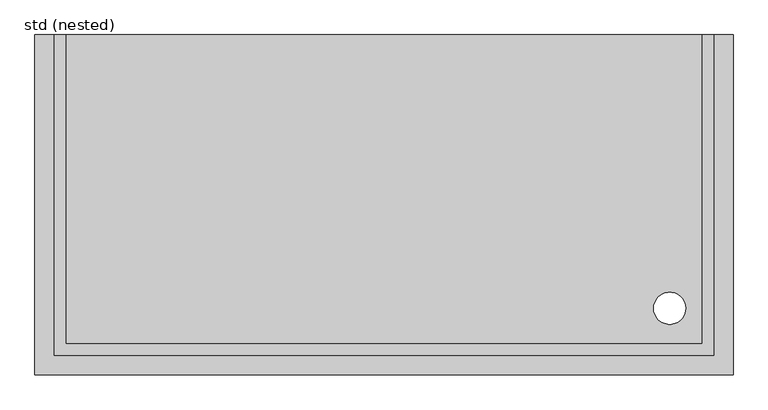
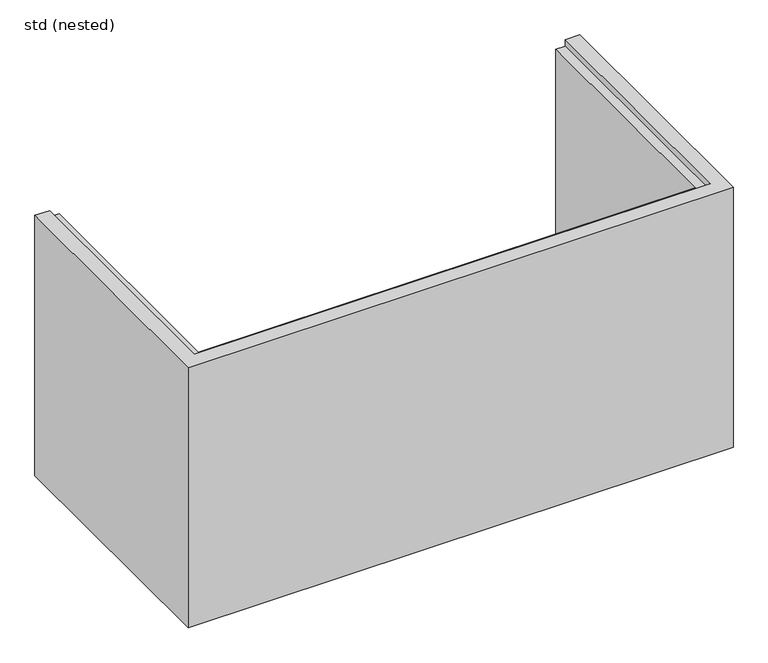
"""IFC4 building model written with IfcOpenShell, lengths in millimetres: proxy geometry, std (nested)."""

import ifcopenshell
import ifcopenshell.guid

model = None  # the IFC model being written
_history = None  # IfcOwnerHistory: only IFC2X3 demands one
_inside = {}  # id of a spatial element -> (the spatial element, [elements in it])
_under = {}  # id of a project, library or spatial element -> (it, [spatial elements below it])
_declared = {}  # id of a project -> (the project, [libraries it declares])
_typed = {}  # id of a type object -> (the type object, [elements of that type])
_made_of = {}  # id of a material, layer set ... -> (it, [elements and type objects made of it])


def new_model(schema):
    """Start an empty IFC model of exactly this schema.

    Asked for "IFC4X3", IfcOpenShell would pick the latest addendum, in which some entities
    have other attributes; the version numbers below select the first issue.
    IFC2X3 requires an IfcOwnerHistory on every rooted entity: one is made here for all.
    """
    global model, _history
    if schema == "IFC4X3":
        model = ifcopenshell.file(schema_version=(4, 3, 0, 0))
    else:
        model = ifcopenshell.file(schema=schema)
    _inside.clear()
    _under.clear()
    _declared.clear()
    _typed.clear()
    _made_of.clear()
    _history = None
    if model.schema == "IFC2X3":
        org = make("IfcOrganization", Name="unknown")
        user = make(
            "IfcPersonAndOrganization",
            ThePerson=make("IfcPerson", FamilyName="unknown"),
            TheOrganization=org,
        )
        app = make(
            "IfcApplication",
            ApplicationDeveloper=org,
            Version="unknown",
            ApplicationFullName="unknown",
            ApplicationIdentifier="unknown",
        )
        _history = make(
            "IfcOwnerHistory",
            OwningUser=user,
            OwningApplication=app,
            ChangeAction="ADDED",
            CreationDate=0,
        )
    return model


def make(cls, **values):
    """One entity of the class cls with the attributes given. An attribute that is None is left unset."""
    return model.create_entity(
        cls, **{name: value for name, value in values.items() if value is not None}
    )


def rooted(cls, **values):
    """An entity with a GlobalId (a new one), such as an element, a storey or a relation."""
    return make(cls, GlobalId=ifcopenshell.guid.new(), OwnerHistory=_history, **values)


def si_unit(unit_type, name, prefix=None):
    """IfcSIUnit, for example si_unit("LENGTHUNIT", "METRE", prefix="MILLI")."""
    return make("IfcSIUnit", UnitType=unit_type, Prefix=prefix, Name=name)


def assignment(units):
    """IfcUnitAssignment: the units of a project."""
    return None if units is None else make("IfcUnitAssignment", Units=units)


def point(xyz):
    """IfcCartesianPoint."""
    return None if xyz is None else make("IfcCartesianPoint", Coordinates=xyz)


def direction(xyz):
    """IfcDirection."""
    return None if xyz is None else make("IfcDirection", DirectionRatios=xyz)


def frame(location, z_axis=None, x_axis=None):
    """IfcAxis2Placement3D, a coordinate frame: its origin and axes. An axis left out is left unset."""
    return make(
        "IfcAxis2Placement3D",
        Location=point(location),
        Axis=direction(z_axis),
        RefDirection=direction(x_axis),
    )


def origin():
    """The frame at (0, 0, 0) with its axes left unset."""
    return frame((0.0, 0.0, 0.0))


def place(relative_to, where):
    """IfcLocalPlacement: puts the frame where relative to a parent placement (None: the world)."""
    return make(
        "IfcLocalPlacement", PlacementRelTo=relative_to, RelativePlacement=where
    )


def context(
    kind, dimensions, precision=None, world=None, true_north=None, identifier=None
):
    """IfcGeometricRepresentationContext, for example the 3D "Model" context."""
    return make(
        "IfcGeometricRepresentationContext",
        ContextIdentifier=identifier,
        ContextType=kind,
        CoordinateSpaceDimension=dimensions,
        Precision=precision,
        WorldCoordinateSystem=world,
        TrueNorth=true_north,
    )


def project(units=None, contexts=None):
    """IfcProject with its units and contexts."""
    return rooted(
        "IfcProject",
        Name="project",
        RepresentationContexts=contexts,
        UnitsInContext=assignment(units),
    )


def spatial(cls, under=None, at=None, **own):
    """A site, building, storey or space (cls), placed at a placement, below another one or the project."""
    s = rooted(cls, ObjectPlacement=at, **own)
    if under is not None:
        _under.setdefault(under.id(), (under, []))[1].append(s)
    return s


def polyline(points):
    """IfcPolyline through the points."""
    return make("IfcPolyline", Points=[point(p) for p in points])


def circle_curve(where, radius):
    """IfcCircle in the frame where."""
    return make("IfcCircle", Position=where, Radius=radius)


def shape(context_of_items, identifier, shape_type, items):
    """IfcShapeRepresentation: the items that make up one representation, for example the "Body"."""
    return make(
        "IfcShapeRepresentation",
        ContextOfItems=context_of_items,
        RepresentationIdentifier=identifier,
        RepresentationType=shape_type,
        Items=items,
    )


def source(mapping_origin, context_of_items, identifier, shape_type, items):
    """IfcRepresentationMap: a shape defined once, which mapped items show again and again."""
    return make(
        "IfcRepresentationMap",
        MappingOrigin=mapping_origin,
        MappedRepresentation=shape(context_of_items, identifier, shape_type, items),
    )


def transform(
    local_origin,
    x_axis=None,
    y_axis=None,
    z_axis=None,
    scale=None,
    scale2=None,
    scale3=None,
    uniform=True,
):
    """IfcCartesianTransformationOperator3D, or its non-uniform kind. x_axis, y_axis, z_axis: its Axis1, 2, 3."""
    if uniform:
        return make(
            "IfcCartesianTransformationOperator3D",
            Axis1=direction(x_axis),
            Axis2=direction(y_axis),
            LocalOrigin=point(local_origin),
            Scale=scale,
            Axis3=direction(z_axis),
        )
    return make(
        "IfcCartesianTransformationOperator3DnonUniform",
        Axis1=direction(x_axis),
        Axis2=direction(y_axis),
        LocalOrigin=point(local_origin),
        Scale=scale,
        Axis3=direction(z_axis),
        Scale2=scale2,
        Scale3=scale3,
    )


def mapped(mapping_source, mapping_target):
    """IfcMappedItem: shows the shape of a source again, moved by a transform."""
    return make(
        "IfcMappedItem", MappingSource=mapping_source, MappingTarget=mapping_target
    )


def made_of(thing, what):
    """Note that an element or type object is made of a material, layer set ...; save() writes the relation."""
    if what is not None:
        _made_of.setdefault(what.id(), (what, []))[1].append(thing)
    return thing


def element(
    cls,
    number,
    at=None,
    inside=None,
    cuts=None,
    type_object=None,
    material=None,
    context=None,
    identifier="Body",
    shape_type=None,
    held_by="IfcProductDefinitionShape",
    body=None,
    shapes=None,
    **own,
):
    """One element of the class cls, such as IfcWall. Its Tag is "e" and its number.

    at: its placement. inside: the storey or other place that contains it. cuts: it is an
    opening in that element (IfcRelVoidsElement). A single representation is given by context,
    identifier, shape_type and body (its items); several are given by shapes. held_by: the class
    of the entity that holds the representations. save() writes the other relations.
    """
    e = rooted(cls, Tag="e%d" % number, ObjectPlacement=at, **own)
    if body is not None:
        shapes = [shape(context, identifier, shape_type, body)]
    if shapes is not None:
        e.Representation = make(held_by, Representations=shapes)
    if inside is not None:
        _inside.setdefault(inside.id(), (inside, []))[1].append(e)
    if cuts is not None:
        rooted(
            "IfcRelVoidsElement", RelatingBuildingElement=cuts, RelatedOpeningElement=e
        )
    if type_object is not None:
        _typed.setdefault(type_object.id(), (type_object, []))[1].append(e)
    return made_of(e, material)


def aggregate(whole, parts):
    """IfcRelAggregates: a whole, such as a stair, and the parts it consists of."""
    return rooted("IfcRelAggregates", RelatingObject=whole, RelatedObjects=parts)


def save(model, path):
    """Write the relations noted so far, then the file.

    IfcRelAggregates (storeys below a building ...), IfcRelContainedInSpatialStructure (elements
    in a storey), IfcRelDefinesByType, IfcRelAssociatesMaterial and IfcRelDeclares: one each for
    every whole, place, type object, material and project.
    """
    for whole, parts in _under.values():
        aggregate(whole, parts)
    for where, things in _inside.values():
        rooted(
            "IfcRelContainedInSpatialStructure",
            RelatedElements=things,
            RelatingStructure=where,
        )
    for kind, things in _typed.values():
        rooted("IfcRelDefinesByType", RelatedObjects=things, RelatingType=kind)
    for what, things in _made_of.values():
        rooted("IfcRelAssociatesMaterial", RelatedObjects=things, RelatingMaterial=what)
    for by, libraries in _declared.values():
        rooted("IfcRelDeclares", RelatingContext=by, RelatedDefinitions=libraries)
    model.write(path)


def plane_surface(at):
    """IfcPlane: the flat surface through the origin of the frame at, square to its z axis."""
    return make("IfcPlane", Position=at)


def revolved_surface(curve, axis_point, axis_direction):
    """IfcSurfaceOfRevolution: the curve turned about the line through axis_point along axis_direction."""
    return make(
        "IfcSurfaceOfRevolution",
        SweptCurve=make("IfcArbitraryOpenProfileDef", ProfileType="CURVE", Curve=curve),
        AxisPosition=make("IfcAxis1Placement", Location=point(axis_point), Axis=direction(axis_direction)),
    )


def advanced_brep(points, edges, surfaces, faces):
    """IfcAdvancedBrep: a solid bounded by faces that lie on surfaces and meet in shared edges.

    An edge is (start, end): straight between two places in points (the first is 0);
    or (start, end, curve); or (start, end, curve, False) where it runs against its curve.
    A face is (place in surfaces, loops), or (place, loops, False) where it looks against
    its surface's normal. A loop lists edges by number (the first is 1), with a minus sign
    where the edge is run from its end to its start. The first loop is the outer one.
    """
    corners = [point(p) for p in points]
    vertices = [make("IfcVertexPoint", VertexGeometry=c) for c in corners]
    made = []
    for start, end, *more in edges:
        made.append(
            make(
                "IfcEdgeCurve",
                EdgeStart=vertices[start],
                EdgeEnd=vertices[end],
                EdgeGeometry=more[0] if more else make("IfcPolyline", Points=[corners[start], corners[end]]),
                SameSense=more[1] if len(more) > 1 else True,
            )
        )
    hull = []
    for where, loops, *sense in faces:
        bounds = []
        for j, loop in enumerate(loops):
            ring = [make("IfcOrientedEdge", EdgeElement=made[abs(k) - 1], Orientation=k > 0) for k in loop]
            bounds.append(
                make(
                    "IfcFaceOuterBound" if j == 0 else "IfcFaceBound",
                    Bound=make("IfcEdgeLoop", EdgeList=ring),
                    Orientation=True,
                )
            )
        hull.append(make("IfcAdvancedFace", Bounds=bounds, FaceSurface=surfaces[where], SameSense=sense[0] if sense else True))
    return make("IfcAdvancedBrep", Outer=make("IfcClosedShell", CfsFaces=hull))


def std_nested_0f180ebd(model_context):
    return source(origin(), model_context, "Body", "AdvancedBrep", [
        advanced_brep(
        [(-1129.0, 0.0, 1140.0), (-1068.5, 0.0, 1140.0), (-1068.5, 0.0, 1112.0), (-1029.0, 0.0, 1112.0), (-1029.0, 0.0, 140.0), (1029.0, 0.0, 140.0), (1029.0, 0.0, 1112.0), (1068.5, 0.0, 1112.0), (1068.5, 0.0, 1140.0), (1129.0, 0.0, 1140.0), (1129.0, 0.0, 0.0), (-1129.0, 0.0, 0.0), (-1129.0, -1100.0, 0.0), (-1129.0, -1100.0, 1140.0), (1129.0, -1100.0, 1140.0), (1068.5, -1039.5, 1140.0), (-1068.5, -1039.5, 1140.0), (-1068.5, -1039.5, 1112.0), (1068.5, -1039.5, 1112.0), (1029.0, -1000.0, 1112.0), (-1029.0, -1000.0, 1112.0), (-1029.0, -1000.0, 140.0), (1129.0, -1100.0, 0.0), (1029.0, -1000.0, 140.0), (872.0, -885.0, 140.0), (976.0, -885.0, 140.0), (872.0, -885.0, 0.0), (976.0, -885.0, 0.0)],
        [
            (0, 1),
            (1, 2),
            (2, 3),
            (3, 4),
            (4, 5),
            (5, 6),
            (6, 7),
            (7, 8),
            (8, 9),
            (9, 10),
            (10, 11),
            (11, 0),
            (11, 12),
            (12, 13),
            (13, 0),
            (13, 14),
            (14, 9),
            (8, 15),
            (15, 16),
            (16, 1),
            (16, 17),
            (17, 2),
            (17, 18),
            (18, 7),
            (6, 19),
            (19, 20),
            (20, 3),
            (20, 21),
            (21, 4),
            (12, 22),
            (22, 14),
            (15, 18),
            (19, 23),
            (23, 21),
            (22, 10),
            (5, 23),
            (24, 25, circle_curve(frame((924.0, -885.0, 140.0), z_axis=(0.0, 0.0, -1.0), x_axis=(1.0, 0.0, 0.0)), 52.0)),
            (25, 24, circle_curve(frame((924.0, -885.0, 140.0), z_axis=(0.0, 0.0, -1.0), x_axis=(1.0, 0.0, 0.0)), 52.0)),
            (26, 27, circle_curve(frame((924.0, -885.0, 0.0), z_axis=(0.0, 0.0, 1.0), x_axis=(1.0, 0.0, 0.0)), 52.0)),
            (27, 26, circle_curve(frame((924.0, -885.0, 0.0), z_axis=(0.0, 0.0, 1.0), x_axis=(1.0, 0.0, 0.0)), 52.0)),
            (24, 26),
            (27, 25),
        ],
        [
            plane_surface(frame((-1129.0, 0.0, 0.0), z_axis=(0.0, 1.0, 0.0), x_axis=(0.0, 0.0, 1.0))),
            plane_surface(frame((-1129.0, 0.0, 140.0), z_axis=(-1.0, 0.0, 0.0), x_axis=(0.0, -1.0, 0.0))),
            plane_surface(frame((-1129.0, 0.0, 1140.0), z_axis=(0.0, 0.0, 1.0), x_axis=(0.0, -1.0, 0.0))),
            plane_surface(frame((-1068.5, 0.0, 1140.0), z_axis=(1.0, 0.0, 0.0), x_axis=(0.0, -1.0, 0.0))),
            plane_surface(frame((-1068.5, 0.0, 1112.0), z_axis=(0.0, 0.0, 1.0), x_axis=(0.0, -1.0, 0.0))),
            plane_surface(frame((-1029.0, 0.0, 1112.0), z_axis=(1.0, 0.0, 0.0), x_axis=(0.0, -1.0, 0.0))),
            plane_surface(frame((-1129.0, -1100.0, 140.0), z_axis=(0.0, -1.0, 0.0), x_axis=(1.0, 0.0, 0.0))),
            plane_surface(frame((-1068.5, -1039.5, 1140.0), z_axis=(0.0, 1.0, 0.0), x_axis=(1.0, 0.0, 0.0))),
            plane_surface(frame((-1029.0, -1000.0, 1112.0), z_axis=(0.0, 1.0, 0.0), x_axis=(1.0, 0.0, 0.0))),
            plane_surface(frame((1129.0, -1100.0, 140.0), z_axis=(1.0, 0.0, 0.0), x_axis=(0.0, 1.0, 0.0))),
            plane_surface(frame((1068.5, -1039.5, 1140.0), z_axis=(-1.0, 0.0, 0.0), x_axis=(0.0, 1.0, 0.0))),
            plane_surface(frame((1029.0, -1000.0, 1112.0), z_axis=(-1.0, 0.0, 0.0), x_axis=(0.0, 1.0, 0.0))),
            plane_surface(frame((-1129.0, 0.0, 140.0), z_axis=(0.0, 0.0, 1.0), x_axis=(-1.0, 0.0, 0.0))),
            plane_surface(frame((-1129.0, 0.0, 0.0), z_axis=(0.0, 0.0, -1.0), x_axis=(1.0, 0.0, 0.0))),
            revolved_surface(polyline([(976.0, -885.0, 0.0), (976.0, -885.0, 140.0)]), (924.0, -885.0, 0.0), (0.0, 0.0, -1.0)),
        ],
        [
            (0, [[1, 2, 3, 4, 5, 6, 7, 8, 9, 10, 11, 12]]),
            (1, [[-12, 13, 14, 15]]),
            (2, [[-1, -15, 16, 17, -9, 18, 19, 20]]),
            (3, [[-2, -20, 21, 22]]),
            (4, [[-3, -22, 23, 24, -7, 25, 26, 27]]),
            (5, [[-4, -27, 28, 29]]),
            (6, [[-14, 30, 31, -16]]),
            (7, [[-19, 32, -23, -21]]),
            (8, [[-26, 33, 34, -28]]),
            (9, [[-10, -17, -31, 35]]),
            (10, [[-18, -8, -24, -32]]),
            (11, [[-25, -6, 36, -33]]),
            (12, [[-5, -29, -34, -36], [37, 38]]),
            (13, [[-35, -30, -13, -11], [39, 40]]),
            (14, [[-37, 41, -40, 42]]),
            (14, [[-38, -42, -39, -41]]),
        ],
    ),
    ])


if __name__ == "__main__":
    model = new_model("IFC4")
    model_context = context("Model", 3, world=origin())
    ifc_project = project(units=[si_unit("LENGTHUNIT", "METRE", prefix="MILLI")], contexts=[model_context])
    site = spatial("IfcSite", under=ifc_project)
    building = spatial("IfcBuilding", under=site)
    placement = place(None, origin())
    std_nested_shape = std_nested_0f180ebd(model_context)
    element("IfcBuildingElementProxy", 1, Name="std (nested)", ObjectType="std (nested)", at=placement, inside=building, context=model_context, shape_type="MappedRepresentation", body=[
        mapped(std_nested_shape, transform((0.0, 0.0, 0.0), x_axis=(1.0, 0.0, 0.0), y_axis=(0.0, 1.0, 0.0), z_axis=(0.0, 0.0, 1.0))),
    ])
    save(model, "model.ifc")
